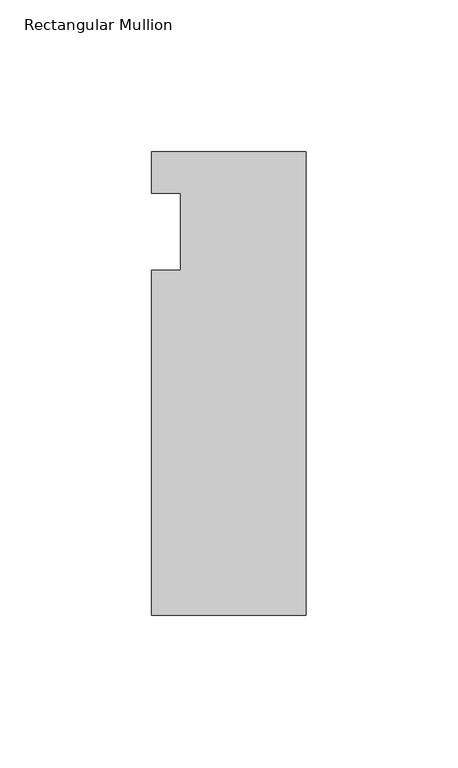
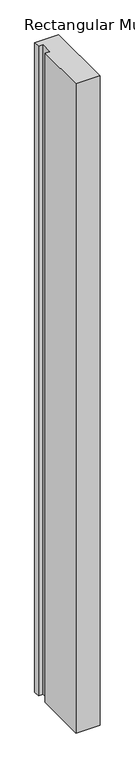
"""IFC4 building model written with IfcOpenShell, lengths in millimetres: member geometry, Rectangular Mullion."""

from ifc_helpers import new_model, si_unit, frame, origin, place, context, project, spatial, polyline, outline, extrude, source, transform, mapped, element, save


def rectangular_mullion_9a9f1392(model_context):
    return source(origin(), model_context, "Body", "SweptSolid", [
        extrude(outline(polyline([(-50.8, 26.19375), (0.0, 26.19375), (0.0, -126.20625), (-50.8, -126.20625), (-50.8, -12.7), (-41.275, -12.7), (-41.275, 12.7), (-50.8, 12.7), (-50.8, 26.19375)])), frame((0.0, 0.0, -1460.5), z_axis=(0.0, 0.0, 1.0), x_axis=(1.0, 0.0, 0.0)), (0.0, 0.0, 1.0), 1460.4923531),
    ])


if __name__ == "__main__":
    model = new_model("IFC4")
    model_context = context("Model", 3, world=origin())
    ifc_project = project(units=[si_unit("LENGTHUNIT", "METRE", prefix="MILLI")], contexts=[model_context])
    site = spatial("IfcSite", under=ifc_project)
    building = spatial("IfcBuilding", under=site)
    placement = place(None, origin())
    rectangular_mullion_shape = rectangular_mullion_9a9f1392(model_context)
    element("IfcMember", 1, ObjectType="Rectangular Mullion", at=placement, inside=building, context=model_context, shape_type="MappedRepresentation", body=[
        mapped(rectangular_mullion_shape, transform((0.0, 0.0, 0.0), x_axis=(1.0, 0.0, 0.0), y_axis=(0.0, 1.0, 0.0), z_axis=(0.0, 0.0, 1.0))),
    ])
    save(model, "model.ifc")
